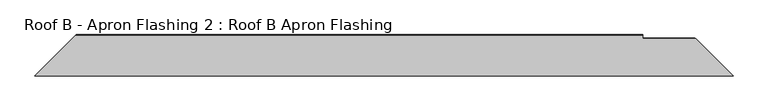
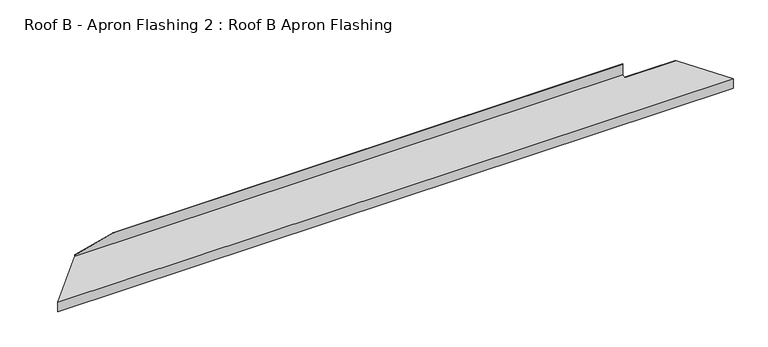
"""IFC4 building model written with IfcOpenShell, lengths in millimetres: proxy geometry, Roof B - Apron Flashing 2 : Roof B Apron Flashing."""

from ifc_helpers import new_model, si_unit, origin, place, context, project, spatial, faceted_brep, source, transform, mapped, element, save


def roof_b_apron_flashing_2_roof_b_apron_flashing_eb8be30a(model_context):
    return source(origin(), model_context, "Body", "Brep", [
        faceted_brep([(254.5654055, -3905.5534225, 3496.9088838), (458.3133875, -3701.8054406, 3551.5029911), (3270.0, -3701.8054406, 3551.5029911), (3270.0, -3717.1696487, 3547.3861639), (3529.840919, -3717.1696487, 3547.3861639), (3718.2246928, -3905.5534225, 3496.9088838), (458.3133875, -3701.8054406, 3558.3896883), (655.1573708, -3701.8054406, 3611.1338746), (3270.0, -3701.8054406, 3611.1338746), (3270.0, -3702.8054406, 3611.1338746), (655.1573708, -3702.8054406, 3611.1338746), (457.3133875, -3702.8054406, 3552.270318), (3270.0, -3702.8054406, 3552.270318), (457.3133875, -3702.8054406, 3558.1217391), (253.5654055, -3906.5534225, 3497.6762108), (3719.2246928, -3906.5534225, 3497.6762108), (3533.7046223, -3721.033352, 3547.3861639), (3270.0, -3721.033352, 3547.3861639), (253.5654055, -3906.5534225, 3446.4262108), (3719.2246928, -3906.5534225, 3446.4262108), (254.5654055, -3905.5534225, 3446.4262108), (3718.2246928, -3905.5534225, 3446.4262108)], [[[0, 1, 2, 3, 4, 5]], [[2, 1, 6, 7, 8]], [[9, 8, 7, 10]], [[11, 12, 9, 10, 13]], [[11, 14, 15, 16, 17, 12]], [[14, 18, 19, 15]], [[18, 20, 21, 19]], [[20, 0, 5, 21]], [[1, 0, 20, 18, 14, 11, 13, 6]], [[15, 19, 21, 5, 4, 16]], [[3, 17, 16, 4]], [[17, 3, 2, 8, 9, 12]], [[7, 6, 13, 10]]]),
    ])


if __name__ == "__main__":
    model = new_model("IFC4")
    model_context = context("Model", 3, world=origin())
    ifc_project = project(units=[si_unit("LENGTHUNIT", "METRE", prefix="MILLI")], contexts=[model_context])
    site = spatial("IfcSite", under=ifc_project)
    building = spatial("IfcBuilding", under=site)
    placement = place(None, origin())
    roof_b_apron_flashing_2_roof_b_apron_flashing_shape = roof_b_apron_flashing_2_roof_b_apron_flashing_eb8be30a(model_context)
    element("IfcBuildingElementProxy", 1, Name="Roof B - Apron Flashing 2 : Roof B Apron Flashing", ObjectType="Roof B - Apron Flashing 2 : Roof B Apron Flashing", at=placement, inside=building, context=model_context, shape_type="MappedRepresentation", body=[
        mapped(roof_b_apron_flashing_2_roof_b_apron_flashing_shape, transform((0.0, 0.0, 0.0), x_axis=(1.0, 0.0, 0.0), y_axis=(0.0, 1.0, 0.0), z_axis=(0.0, 0.0, 1.0))),
    ])
    save(model, "model.ifc")
